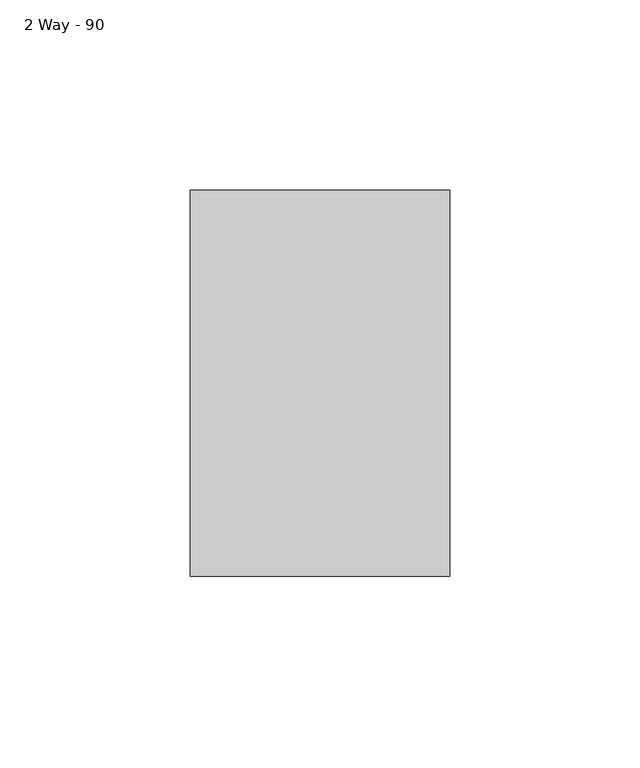
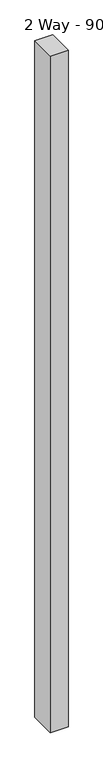
"""IFC4 building model written with IfcOpenShell, lengths in millimetres: furniture geometry, 2 Way - 90."""

from ifc_helpers import new_model, si_unit, origin, origin_with_axes, place, context, project, spatial, polyline, outline, extrude, source, transform, mapped, element, save


def furniture_2_way_90_b8c9fcb6(model_context):
    return source(origin(), model_context, "Body", "SweptSolid", [
        extrude(outline(polyline([(98.3031531, 27.1980295), (98.3031531, -74.4019705), (29.9771531, -74.4019705), (29.9771531, 27.1980295), (98.3031531, 27.1980295)])), origin_with_axes(), (0.0, 0.0, 1.0), 2743.2),
    ])


if __name__ == "__main__":
    model = new_model("IFC4")
    model_context = context("Model", 3, world=origin())
    ifc_project = project(units=[si_unit("LENGTHUNIT", "METRE", prefix="MILLI")], contexts=[model_context])
    site = spatial("IfcSite", under=ifc_project)
    building = spatial("IfcBuilding", under=site)
    placement = place(None, origin())
    furniture_2_way_90_shape = furniture_2_way_90_b8c9fcb6(model_context)
    element("IfcFurniture", 1, ObjectType="2 Way - 90", at=placement, inside=building, context=model_context, shape_type="MappedRepresentation", body=[
        mapped(furniture_2_way_90_shape, transform((0.0, 0.0, 0.0), x_axis=(1.0, 0.0, 0.0), y_axis=(0.0, 1.0, 0.0), z_axis=(0.0, 0.0, 1.0))),
    ])
    save(model, "model.ifc")
